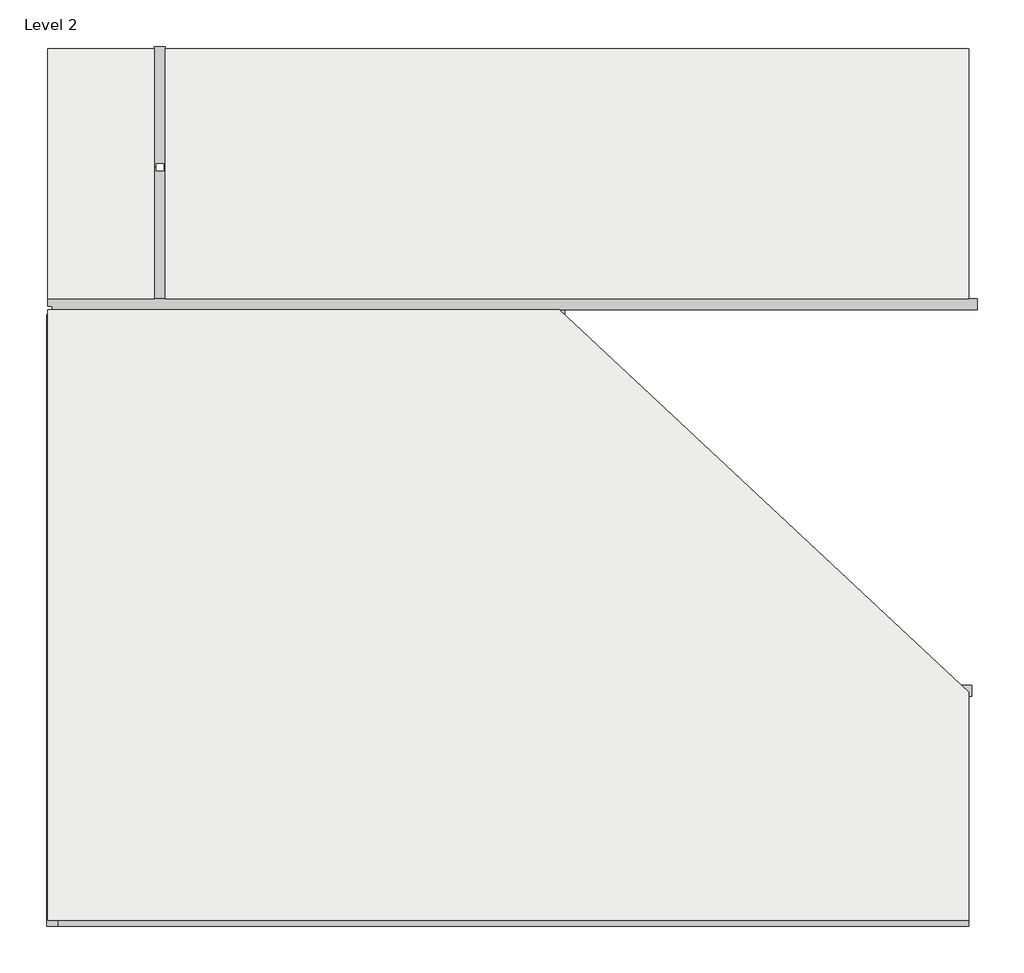
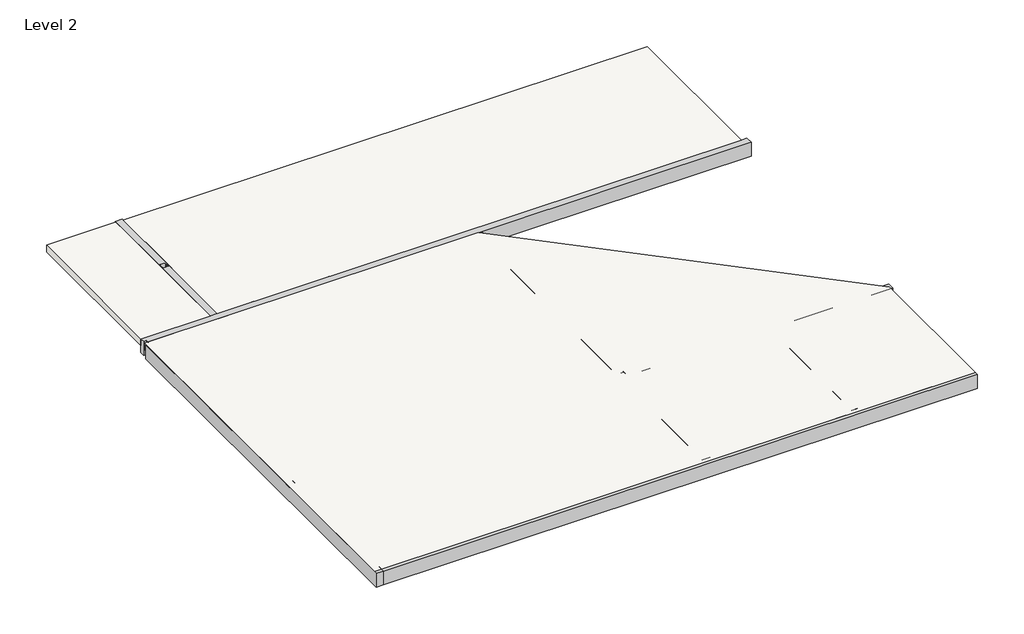
# One storey: 11 beams, 3 slabs.
"""IFC4 building model written with IfcOpenShell, lengths in millimetres."""

from ifc_helpers import new_model, si_unit, frame, origin, place, context, project, spatial, polyline, outline, extrude, faceted_brep, element, save

model = new_model("IFC4")

# Units and contexts
model_context = context("Model", 3, world=origin())
ifc_project = project(units=[si_unit("LENGTHUNIT", "METRE", prefix="MILLI")], contexts=[model_context])

# Site, building, storey
site = spatial("IfcSite", under=ifc_project)
building = spatial("IfcBuilding", under=site)
storey = spatial("IfcBuildingStorey", under=building, Name="Level 2", Elevation=4000.0)

# Beams
placement = place(None, origin())
element("IfcBeam", 1, ObjectType="M_Concrete-Rectangular Beam : 300 x 600mm", at=placement, inside=storey, context=model_context, shape_type="Brep", body=[
    faceted_brep([(8495.6017777, -6094.9387246, 4000.0), (8195.6017777, -6094.9387246, 4000.0), (8195.6017777, -9797.4528415, 4000.0), (8195.6017777, -10197.4528415, 4000.0), (8195.6017777, -13899.9669584, 4000.0), (8495.6017777, -13899.9669584, 4000.0), (8195.6017777, -6094.9387246, 3400.0), (8195.6017777, -9797.4528415, 3400.0), (8195.6017777, -10197.4528415, 3400.0), (8195.6017777, -13899.9669584, 3400.0), (8495.6017777, -6094.9387246, 3400.0), (8495.6017777, -9797.4528415, 3400.0), (8495.6017777, -10197.4528415, 3400.0), (8495.6017777, -13899.9669584, 3400.0)], [[[0, 1, 2, 3, 4, 5]], [[1, 6, 7, 8, 9, 4, 3, 2]], [[6, 10, 11, 12, 13, 9, 8, 7]], [[10, 0, 5, 13, 12, 11]], [[1, 0, 10, 6]], [[5, 4, 9, 13]]]),
])
element("IfcBeam", 2, ObjectType="M_Concrete-Rectangular Beam : 400 x 800mm", at=placement, inside=storey, context=model_context, shape_type="Brep", body=[
    faceted_brep([(-13854.3982223, 17125.5330416, 4000.0), (-13854.3982223, 17125.5330416, 3200.0), (-14254.3982223, 17125.5330416, 3200.0), (-14254.3982223, 17125.5330416, 4000.0), (-14254.3982223, 17053.0330416, 4000.0), (-14254.3982223, 12813.0330416, 4000.0), (-14204.3982223, 12813.0330416, 4000.0), (-14204.3982223, 12963.0330416, 4000.0), (-13904.3982223, 12963.0330416, 4000.0), (-13904.3982223, 12813.0330416, 4000.0), (-13854.3982223, 12813.0330416, 4000.0), (-13854.3982223, 17053.0330416, 4000.0), (-14254.3982223, 12813.0330416, 3200.0), (-13854.3982223, 12813.0330416, 3200.0), (-13904.3982223, 12813.0330416, 3200.0), (-13904.3982223, 12963.0330416, 3200.0), (-14204.3982223, 12963.0330416, 3200.0), (-14204.3982223, 12813.0330416, 3200.0)], [[[0, 1, 2, 3]], [[0, 3, 4, 5, 6, 7, 8, 9, 10, 11]], [[3, 2, 12, 5, 4]], [[2, 1, 13, 14, 15, 16, 17, 12]], [[1, 0, 11, 10, 13]], [[13, 10, 9, 14]], [[8, 15, 14, 9]], [[16, 7, 6, 17]], [[7, 16, 15, 8]], [[5, 12, 17, 6]]]),
])
element("IfcBeam", 3, ObjectType="M_Concrete-Rectangular Beam : 400 x 800mm", at=placement, inside=storey, context=model_context, shape_type="Brep", body=[
    faceted_brep([(-13854.3982223, 12813.0330416, 4000.0), (-13904.3982223, 12813.0330416, 4000.0), (-13904.3982223, 12663.0330416, 4000.0), (-14204.3982223, 12663.0330416, 4000.0), (-14204.3982223, 12813.0330416, 4000.0), (-14254.3982223, 12813.0330416, 4000.0), (-14254.3982223, 8113.0330416, 4000.0), (-13854.3982223, 8113.0330416, 4000.0), (-14254.3982223, 12813.0330416, 3200.0), (-14254.3982223, 8113.0330416, 3200.0), (-14254.3982223, 8113.0330416, 3600.0), (-13904.3982223, 12813.0330416, 3200.0), (-13854.3982223, 12813.0330416, 3200.0), (-13854.3982223, 8113.0330416, 3200.0), (-14204.3982223, 12813.0330416, 3200.0), (-14204.3982223, 12663.0330416, 3200.0), (-13904.3982223, 12663.0330416, 3200.0), (-13854.3982223, 8113.0330416, 3588.0)], [[[0, 1, 2, 3, 4, 5, 6, 7]], [[5, 8, 9, 10, 6]], [[11, 12, 13, 9, 8, 14, 15, 16]], [[12, 0, 7, 17, 13]], [[0, 12, 11, 1]], [[16, 2, 1, 11]], [[2, 16, 15, 3]], [[3, 15, 14, 4]], [[8, 5, 4, 14]], [[7, 6, 10, 9, 13, 17]]]),
])
element("IfcBeam", 4, ObjectType="M_Concrete-Rectangular Beam : 400 x 800mm", at=placement, inside=storey, context=model_context, shape_type="Brep", body=[
    faceted_brep([(6.2107301, -6094.9387246, 4000.0), (406.2107301, -6094.9387246, 4000.0), (406.2107301, -5694.9387246, 4000.0), (406.2107301, 7713.0330416, 4000.0), (6.2107301, 7713.0330416, 4000.0), (6.2107301, -5694.9387246, 4000.0), (356.2107301, -5744.9387246, 4000.0), (356.2107301, -6044.9387246, 4000.0), (56.2107301, -6044.9387246, 4000.0), (56.2107301, -5744.9387246, 4000.0), (6.2107301, -6094.9387246, 3200.0), (6.2107301, 7713.0330416, 3200.0), (6.2107301, -5694.9387246, 3200.0), (406.2107301, -6094.9387246, 3200.0), (406.2107301, 7713.0330416, 3200.0), (406.2107301, -5694.9387246, 3200.0), (356.2107301, -6044.9387246, 3200.0), (356.2107301, -5744.9387246, 3200.0), (56.2107301, -5744.9387246, 3200.0), (56.2107301, -6044.9387246, 3200.0)], [[[0, 1, 2, 3, 4, 5], [6, 7, 8, 9]], [[10, 0, 5, 4, 11, 12]], [[13, 10, 12, 11, 14, 15], [16, 17, 18, 19]], [[1, 13, 15, 14, 3, 2]], [[16, 7, 6, 17]], [[7, 16, 19, 8]], [[8, 19, 18, 9]], [[9, 18, 17, 6]], [[1, 0, 10, 13]], [[4, 3, 14, 11]]]),
])
element("IfcBeam", 5, ObjectType="M_Concrete-Rectangular Beam : 400 x 800mm", at=placement, inside=storey, context=model_context, shape_type="Brep", body=[
    faceted_brep([(14945.6017777, -6094.9387246, 4000.0), (14945.6017777, -6094.9387246, 3200.0), (14945.6017777, -5694.9387246, 3200.0), (14945.6017777, -5694.9387246, 4000.0), (406.2107301, -5694.9387246, 4000.0), (406.2107301, -6094.9387246, 4000.0), (8195.6017777, -6094.9387246, 4000.0), (8495.6017777, -6094.9387246, 4000.0), (406.2107301, -5694.9387246, 3200.0), (406.2107301, -6094.9387246, 3200.0)], [[[0, 1, 2, 3]], [[0, 3, 4, 5, 6, 7]], [[3, 2, 8, 4]], [[2, 1, 9, 8]], [[1, 0, 7, 6, 5, 9]], [[5, 4, 8, 9]]]),
])
element("IfcBeam", 6, ObjectType="M_Concrete-Rectangular Beam : 400 x 800mm", at=placement, inside=storey, context=model_context, shape_type="SweptSolid", body=[
    extrude(outline(polyline([(6.2107301, -5694.9387246), (6.2107301, -6094.9387246), (-17704.3982223, -6094.9387246), (-17704.3982223, -5694.9387246), (6.2107301, -5694.9387246)])), frame((0.0, 0.0, 3200.0), z_axis=(0.0, 0.0, 1.0), x_axis=(1.0, 0.0, 0.0)), (0.0, 0.0, 1.0), 800.0),
])
element("IfcBeam", 7, ObjectType="M_Concrete-Rectangular Beam : 400 x 800mm", at=placement, inside=storey, context=model_context, shape_type="Brep", body=[
    faceted_brep([(406.2107301, -6094.9387246, 4000.0), (6.2107301, -6094.9387246, 4000.0), (6.2107301, -13899.9669584, 4000.0), (406.2107301, -13899.9669584, 4000.0), (406.2107301, -10197.4528415, 4000.0), (406.2107301, -9797.4528415, 4000.0), (6.2107301, -6094.9387246, 3200.0), (6.2107301, -13899.9669584, 3200.0), (406.2107301, -6094.9387246, 3200.0), (406.2107301, -9797.4528415, 3200.0), (406.2107301, -10197.4528415, 3200.0), (406.2107301, -13899.9669584, 3200.0)], [[[0, 1, 2, 3, 4, 5]], [[1, 6, 7, 2]], [[6, 8, 9, 10, 11, 7]], [[8, 0, 5, 4, 3, 11, 10, 9]], [[1, 0, 8, 6]], [[3, 2, 7, 11]]]),
])
element("IfcBeam", 8, ObjectType="M_Concrete-Rectangular Beam : 400 x 800mm", at=placement, inside=storey, context=model_context, shape_type="Brep", body=[
    faceted_brep([(15156.1501608, 8113.0330416, 4000.0), (15156.1501608, 7713.0330416, 4000.0), (15156.1501608, 7713.0330416, 3200.0), (15156.1501608, 8113.0330416, 3200.0), (14845.6017777, 8113.0330416, 4000.0), (-13854.3982223, 8113.0330416, 4000.0), (-14254.3982223, 8113.0330416, 4000.0), (-18054.3982223, 8113.0330416, 4000.0), (-18054.3982223, 7848.0330416, 4000.0), (-17904.3982223, 7848.0330416, 4000.0), (-17904.3982223, 7713.0330416, 4000.0), (6.2107301, 7713.0330416, 4000.0), (406.2107301, 7713.0330416, 4000.0), (-17904.3982223, 7713.0330416, 3200.0), (6.2107301, 7713.0330416, 3200.0), (406.2107301, 7713.0330416, 3200.0), (-17904.3982223, 7848.0330416, 3200.0), (-18054.3982223, 7848.0330416, 3200.0), (-18054.3982223, 8113.0330416, 3200.0), (-14254.3982223, 8113.0330416, 3200.0), (-13854.3982223, 8113.0330416, 3200.0), (-18054.3982223, 8113.0330416, 3600.0)], [[[0, 1, 2, 3]], [[1, 0, 4, 5, 6, 7, 8, 9, 10, 11, 12]], [[2, 1, 12, 11, 10, 13, 14, 15]], [[3, 2, 15, 14, 13, 16, 17, 18, 19, 20]], [[0, 3, 20, 19, 18, 21, 7, 6, 5, 4]], [[7, 21, 18, 17, 8]], [[9, 16, 13, 10]], [[16, 9, 8, 17]]]),
])
element("IfcBeam", 9, ObjectType="M_Concrete-Rectangular Beam : 400 x 800mm", at=placement, inside=storey, context=model_context, shape_type="Brep", body=[
    faceted_brep([(-17704.3982223, -14299.9669584, 4000.0), (-17704.3982223, -13899.9669584, 4000.0), (-17704.3982223, -6094.9387246, 4000.0), (-17704.3982223, -5694.9387246, 4000.0), (-17704.3982223, 7698.0330416, 4000.0), (-17904.3982223, 7698.0330416, 4000.0), (-17904.3982223, 7548.0330416, 4000.0), (-18104.3982223, 7548.0330416, 4000.0), (-18104.3982223, -14299.9669584, 4000.0), (-18104.3982223, -14299.9669584, 3200.0), (-18104.3982223, 7548.0330416, 3200.0), (-17704.3982223, 7698.0330416, 3200.0), (-17704.3982223, -5694.9387246, 3200.0), (-17704.3982223, -6094.9387246, 3200.0), (-17704.3982223, -13899.9669584, 3200.0), (-17704.3982223, -14299.9669584, 3200.0), (-17904.3982223, 7548.0330416, 3200.0), (-17904.3982223, 7698.0330416, 3200.0)], [[[0, 1, 2, 3, 4, 5, 6, 7, 8]], [[9, 8, 7, 10]], [[11, 12, 13, 14, 15, 9, 10, 16, 17]], [[11, 4, 3, 2, 1, 0, 15, 14, 13, 12]], [[4, 11, 17, 5]], [[16, 6, 5, 17]], [[6, 16, 10, 7]], [[0, 8, 9, 15]]]),
])
element("IfcBeam", 10, ObjectType="M_Concrete-Rectangular Beam : 400 x 800mm", at=placement, inside=storey, context=model_context, shape_type="Brep", body=[
    faceted_brep([(14845.6017777, -13899.9669584, 4000.0), (14845.6017777, -14299.9669584, 4000.0), (14845.6017777, -14299.9669584, 3200.0), (14845.6017777, -13899.9669584, 3200.0), (8495.6017777, -13899.9669584, 4000.0), (8195.6017777, -13899.9669584, 4000.0), (406.2107301, -13899.9669584, 4000.0), (6.2107301, -13899.9669584, 4000.0), (-17704.3982223, -13899.9669584, 4000.0), (-17704.3982223, -14299.9669584, 4000.0), (-17704.3982223, -14299.9669584, 3200.0), (-17704.3982223, -13899.9669584, 3200.0), (6.2107301, -13899.9669584, 3200.0), (406.2107301, -13899.9669584, 3200.0)], [[[0, 1, 2, 3]], [[1, 0, 4, 5, 6, 7, 8, 9]], [[2, 1, 9, 10]], [[3, 2, 10, 11, 12, 13]], [[0, 3, 13, 12, 11, 8, 7, 6, 5, 4]], [[9, 8, 11, 10]]]),
])
element("IfcBeam", 11, ObjectType="M_Concrete-Rectangular Beam : 400 x 800mm", at=placement, inside=storey, context=model_context, shape_type="SweptSolid", body=[
    extrude(outline(polyline([(3200.0, 406.2107301), (3200.0, 8495.6017777), (3400.0, 8495.6017777), (3400.0, 8195.6017777), (4000.0, 8195.6017777), (4000.0, 406.2107301), (3200.0, 406.2107301)])), frame((0.0, -10197.4528415, 0.0), z_axis=(0.0, 1.0, 0.0), x_axis=(0.0, 0.0, 1.0)), (0.0, 0.0, 1.0), 400.0),
])

# Slabs
element("IfcSlab", 12, ObjectType="Generic Floor - 400mm", at=placement, inside=storey, context=model_context, shape_type="Brep", body=[
    faceted_brep([(-13854.3982223, 8113.0330416, 3588.0), (-13854.3982223, 8113.0330416, 4000.0), (-13854.3982223, 12813.0330416, 4000.0), (-13854.3982223, 17053.0330416, 4000.0), (-13854.3982223, 17053.0330416, 3588.0), (14845.6017777, 17053.0330416, 4000.0), (14845.6017777, 17053.0330416, 3588.0), (14845.6017777, 8113.0330416, 4000.0), (14845.6017777, 8113.0330416, 3588.0)], [[[0, 1, 2, 3, 4]], [[4, 3, 5, 6]], [[6, 5, 7, 8]], [[8, 7, 1, 0]], [[7, 5, 3, 2, 1]], [[8, 0, 4, 6]]]),
])
element("IfcSlab", 13, ObjectType="Generic Floor - 400mm", at=placement, inside=storey, context=model_context, shape_type="SweptSolid", body=[
    extrude(outline(polyline([(-18054.3982223, 7713.0330416), (206.2107301, 7713.0330416), (14845.6017777, -5938.4199621), (14845.6017777, -14099.9669584), (-18054.3982223, -14099.9669584), (-18054.3982223, 7713.0330416)])), frame((0.0, 0.0, 3588.0), z_axis=(0.0, 0.0, 1.0), x_axis=(1.0, 0.0, 0.0)), (0.0, 0.0, 1.0), 412.0),
])
element("IfcSlab", 14, ObjectType="Generic Floor - 400mm - Filled", at=placement, inside=storey, context=model_context, shape_type="Brep", body=[
    faceted_brep([(-14254.3982223, 17053.0330416, 3600.0), (-14254.3982223, 17053.0330416, 4000.0), (-14254.3982223, 12813.0330416, 4000.0), (-14254.3982223, 8113.0330416, 4000.0), (-14254.3982223, 8113.0330416, 3600.0), (-18054.3982223, 8113.0330416, 4000.0), (-18054.3982223, 8113.0330416, 3600.0), (-18054.3982223, 16953.0330416, 4000.0), (-18054.3982223, 17053.0330416, 4000.0), (-18054.3982223, 17053.0330416, 3600.0), (-18054.3982223, 16953.0330416, 3600.0), (-17954.3982223, 17053.0330416, 4000.0), (-17954.3982223, 17053.0330416, 3600.0)], [[[0, 1, 2, 3, 4]], [[4, 3, 5, 6]], [[6, 5, 7, 8, 9, 10]], [[9, 8, 11, 1, 0, 12]], [[8, 7, 5, 3, 2, 1, 11]], [[9, 12, 0, 4, 6, 10]]]),
])

save(model, "model.ifc")
